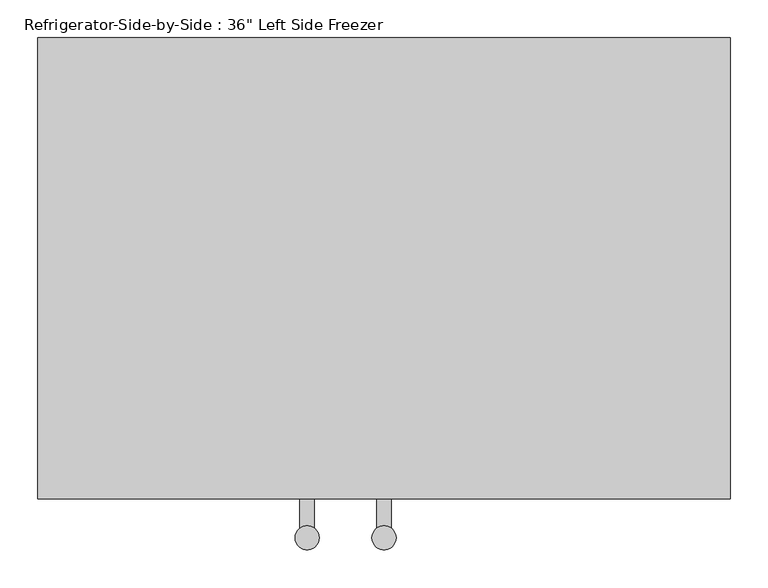
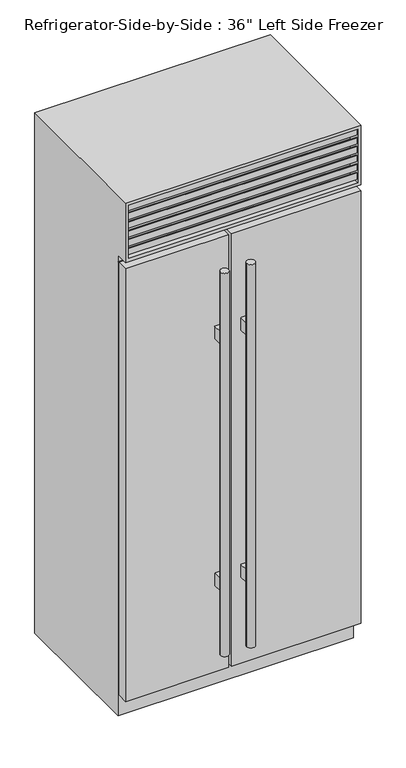
"""IFC4 building model written with IfcOpenShell, lengths in millimetres: proxy geometry."""

from ifc_helpers import new_model, si_unit, frame, origin, place, context, project, spatial, polyline, circle_curve, ellipse_curve, outline, extrude, faceted_brep, source, transform, mapped, element, save
from ifc_brep_helpers import plane_surface, cylinder_surface, advanced_brep


def proxy_192d496c(model_context):
    return source(origin(), model_context, "Body", "SolidModel", [
        extrude(outline(polyline([(-660.4, 1901.825), (-708.025, 1914.5860803), (-708.025, 1939.9860803), (-704.85, 1939.9860803), (-704.85, 1917.1368938), (-660.4, 1905.2265522), (-660.4, 1901.825)])), frame((-444.5, 0.0, 0.0), z_axis=(1.0, 0.0, 0.0), x_axis=(0.0, 1.0, 0.0)), (0.0, 0.0, 1.0), 889.0),
        extrude(outline(polyline([(-660.4, 1938.0077839), (-708.025, 1950.7688642), (-708.025, 1976.1688642), (-704.85, 1976.1688642), (-704.85, 1953.3196777), (-660.4, 1941.4093361), (-660.4, 1938.0077839)])), frame((-444.5, 0.0, 0.0), z_axis=(1.0, 0.0, 0.0), x_axis=(0.0, 1.0, 0.0)), (0.0, 0.0, 1.0), 889.0),
        extrude(outline(polyline([(-660.4, 1974.1905679), (-708.025, 1986.9516482), (-708.025, 2012.3516482), (-704.85, 2012.3516482), (-704.85, 1989.5024616), (-660.4, 1977.59212), (-660.4, 1974.1905679)])), frame((-444.5, 0.0, 0.0), z_axis=(1.0, 0.0, 0.0), x_axis=(0.0, 1.0, 0.0)), (0.0, 0.0, 1.0), 889.0),
        extrude(outline(polyline([(-660.4, 2010.3733518), (-708.025, 2023.1344321), (-708.025, 2048.5344321), (-704.85, 2048.5344321), (-704.85, 2025.6852456), (-660.4, 2013.774904), (-660.4, 2010.3733518)])), frame((-444.5, 0.0, 0.0), z_axis=(1.0, 0.0, 0.0), x_axis=(0.0, 1.0, 0.0)), (0.0, 0.0, 1.0), 889.0),
        extrude(outline(polyline([(-660.4, 2046.5561358), (-708.025, 2059.3172161), (-708.025, 2084.7172161), (-704.85, 2084.7172161), (-704.85, 2061.8680295), (-660.4, 2049.9576879), (-660.4, 2046.5561358)])), frame((-444.5, 0.0, 0.0), z_axis=(1.0, 0.0, 0.0), x_axis=(0.0, 1.0, 0.0)), (0.0, 0.0, 1.0), 889.0),
        extrude(outline(polyline([(-660.4, 2082.7389197), (-708.025, 2095.5), (-708.025, 2120.9), (-704.85, 2120.9), (-704.85, 2098.0508135), (-660.4, 2086.1404719), (-660.4, 2082.7389197)])), frame((-444.5, 0.0, 0.0), z_axis=(1.0, 0.0, 0.0), x_axis=(0.0, 1.0, 0.0)), (0.0, 0.0, 1.0), 889.0),
        faceted_brep([(457.2, -711.2, 2133.6), (-457.2, -711.2, 2133.6), (-457.2, -711.2, 1889.125), (457.2, -711.2, 1889.125), (444.5, -711.2, 2120.9), (444.5, -711.2, 1901.825), (-444.5, -711.2, 1901.825), (-444.5, -711.2, 2120.9), (457.2, -101.6, 2133.6), (-457.2, -101.6, 2133.6), (-457.2, -101.6, 0.0), (-457.2, -660.4, 0.0), (-457.2, -660.4, 1889.125), (457.2, -660.4, 1889.125), (457.2, -660.4, 0.0), (457.2, -101.6, 0.0), (-444.5, -660.4, 2120.9), (444.5, -660.4, 2120.9), (-444.5, -660.4, 1901.825), (444.5, -660.4, 1901.825)], [[[0, 1, 2, 3], [4, 5, 6, 7]], [[1, 0, 8, 9]], [[2, 1, 9, 10, 11, 12]], [[3, 2, 12, 13]], [[8, 0, 3, 13, 14, 15]], [[4, 7, 16, 17]], [[7, 6, 18, 16]], [[6, 5, 19, 18]], [[5, 4, 17, 19]], [[15, 14, 11, 10]], [[9, 8, 15, 10]], [[17, 16, 18, 19]], [[11, 14, 13, 12]]]),
        extrude(outline(polyline([(-457.2, -666.75), (-57.15, -666.75), (-57.15, -711.2), (-457.2, -711.2), (-457.2, -666.75)])), frame((0.0, 0.0, 88.9), z_axis=(0.0, 0.0, 1.0), x_axis=(1.0, 0.0, 0.0)), (0.0, 0.0, 1.0), 1774.825),
        extrude(outline(polyline([(-44.45, -666.75), (457.2, -666.75), (457.2, -711.2), (-44.45, -711.2), (-44.45, -666.75)])), frame((0.0, 0.0, 88.9), z_axis=(0.0, 0.0, 1.0), x_axis=(1.0, 0.0, 0.0)), (0.0, 0.0, 1.0), 1774.825),
        advanced_brep(
        [(-92.075, -711.2, 1508.125), (-92.075, -711.2, 1457.325), (-111.125, -711.2, 1457.325), (-111.125, -711.2, 1508.125), (-92.075, -711.2, 495.3), (-92.075, -711.2, 444.5), (-111.125, -711.2, 444.5), (-111.125, -711.2, 495.3), (-92.075, -749.6741958, 1508.125), (-92.075, -749.6741958, 1457.325), (-111.125, -749.6741958, 1457.325), (-111.125, -749.6741958, 1508.125), (-92.075, -749.6741958, 495.3), (-92.075, -749.6741958, 444.5), (-111.125, -749.6741958, 444.5), (-111.125, -749.6741958, 495.3), (-117.475, -762.3741958, 1762.125), (-85.725, -762.3741958, 1762.125), (-117.475, -762.3741958, 190.5), (-85.725, -762.3741958, 190.5)],
        [
            (0, 1),
            (1, 2),
            (2, 3),
            (3, 0),
            (4, 5),
            (5, 6),
            (6, 7),
            (7, 4),
            (0, 8),
            (8, 9),
            (9, 1),
            (9, 10, circle_curve(frame((-101.6, -762.3741958, 1457.325), z_axis=(0.0, 0.0, 1.0), x_axis=(1.0, 0.0, 0.0)), 15.875)),
            (10, 2),
            (10, 11),
            (11, 3),
            (11, 8, circle_curve(frame((-101.6, -762.3741958, 1508.125), z_axis=(0.0, 0.0, -1.0), x_axis=(1.0, 0.0, 0.0)), 15.875)),
            (4, 12),
            (12, 13),
            (13, 5),
            (13, 14, circle_curve(frame((-101.6, -762.3741958, 444.5), z_axis=(0.0, 0.0, 1.0), x_axis=(1.0, 0.0, 0.0)), 15.875)),
            (14, 6),
            (14, 15),
            (15, 7),
            (15, 12, circle_curve(frame((-101.6, -762.3741958, 495.3), z_axis=(0.0, 0.0, -1.0), x_axis=(1.0, 0.0, 0.0)), 15.875)),
            (16, 17, circle_curve(frame((-101.6, -762.3741958, 1762.125), z_axis=(0.0, 0.0, 1.0), x_axis=(1.0, 0.0, 0.0)), 15.875)),
            (17, 16, circle_curve(frame((-101.6, -762.3741958, 1762.125), z_axis=(0.0, 0.0, 1.0), x_axis=(1.0, 0.0, 0.0)), 15.875)),
            (18, 19, circle_curve(frame((-101.6, -762.3741958, 190.5), z_axis=(0.0, 0.0, -1.0), x_axis=(1.0, 0.0, 0.0)), 15.875)),
            (19, 18, circle_curve(frame((-101.6, -762.3741958, 190.5), z_axis=(0.0, 0.0, -1.0), x_axis=(1.0, 0.0, 0.0)), 15.875)),
            (16, 18),
            (19, 17),
        ],
        [
            plane_surface(frame((-92.075, -711.2, 1508.125), z_axis=(0.0, 1.0, 0.0), x_axis=(0.0, 0.0, -1.0))),
            plane_surface(frame((-92.075, -711.2, 1508.125), z_axis=(1.0, 0.0, 0.0), x_axis=(0.0, -1.0, 0.0))),
            plane_surface(frame((-92.075, -711.2, 1457.325), z_axis=(0.0, 0.0, -1.0), x_axis=(0.0, -1.0, 0.0))),
            plane_surface(frame((-111.125, -711.2, 1457.325), z_axis=(-1.0, 0.0, 0.0), x_axis=(0.0, -1.0, 0.0))),
            plane_surface(frame((-111.125, -711.2, 1508.125), z_axis=(0.0, 0.0, 1.0), x_axis=(0.0, -1.0, 0.0))),
            plane_surface(frame((-92.075, -711.2, 495.3), z_axis=(1.0, 0.0, 0.0), x_axis=(0.0, -1.0, 0.0))),
            plane_surface(frame((-92.075, -711.2, 444.5), z_axis=(0.0, 0.0, -1.0), x_axis=(0.0, -1.0, 0.0))),
            plane_surface(frame((-111.125, -711.2, 444.5), z_axis=(-1.0, 0.0, 0.0), x_axis=(0.0, -1.0, 0.0))),
            plane_surface(frame((-111.125, -711.2, 495.3), z_axis=(0.0, 0.0, 1.0), x_axis=(0.0, -1.0, 0.0))),
            plane_surface(frame((-85.725, -762.3741958, 1762.125), z_axis=(0.0, 0.0, 1.0), x_axis=(0.0, 1.0, 0.0))),
            plane_surface(frame((-85.725, -762.3741958, 190.5), z_axis=(0.0, 0.0, -1.0), x_axis=(0.0, -1.0, 0.0))),
            cylinder_surface(frame((-101.6, -762.3741958, 190.5), z_axis=(0.0, 0.0, 1.0), x_axis=(1.0, 0.0, 0.0)), 15.875),
        ],
        [
            (0, [[1, 2, 3, 4]]),
            (0, [[5, 6, 7, 8]]),
            (1, [[-1, 9, 10, 11]]),
            (2, [[-2, -11, 12, 13]]),
            (3, [[-3, -13, 14, 15]]),
            (4, [[-4, -15, 16, -9]]),
            (5, [[-5, 17, 18, 19]]),
            (6, [[-6, -19, 20, 21]]),
            (7, [[-7, -21, 22, 23]]),
            (8, [[-8, -23, 24, -17]]),
            (9, [[25, 26]]),
            (10, [[27, 28]]),
            (11, [[-25, 29, -28, 30]]),
            (11, [[-26, -30, -27, -29], [-10, -16, -14, -12], [-18, -24, -22, -20]]),
        ],
    ),
        advanced_brep(
        [(-15.875, -762.3741958, 1762.125), (15.875, -762.3741958, 1762.125), (-15.875, -762.3741958, 190.5), (15.875, -762.3741958, 190.5), (9.525, -749.6741958, 1457.325), (9.525, -749.6741958, 1508.125), (-9.525, -749.6741958, 1508.125), (-9.525, -749.6741958, 1457.325), (9.525, -749.6741958, 444.5), (9.525, -749.6741958, 495.3), (-9.525, -749.6741958, 495.3), (-9.525, -749.6741958, 444.5), (9.525, -711.2, 1508.125), (9.525, -711.2, 1457.325), (-9.525, -711.2, 1457.325), (-9.525, -711.2, 1508.125), (9.525, -711.2, 495.3), (9.525, -711.2, 444.5), (-9.525, -711.2, 444.5), (-9.525, -711.2, 495.3)],
        [
            (0, 1, circle_curve(frame((0.0, -762.3741958, 1762.125), z_axis=(0.0, 0.0, 1.0), x_axis=(1.0, 0.0, 0.0)), 15.875)),
            (1, 0, circle_curve(frame((0.0, -762.3741958, 1762.125), z_axis=(0.0, 0.0, 1.0), x_axis=(1.0, 0.0, 0.0)), 15.875)),
            (2, 3, circle_curve(frame((0.0, -762.3741958, 190.5), z_axis=(0.0, 0.0, -1.0), x_axis=(1.0, 0.0, 0.0)), 15.875)),
            (3, 2, circle_curve(frame((0.0, -762.3741958, 190.5), z_axis=(0.0, 0.0, -1.0), x_axis=(1.0, 0.0, 0.0)), 15.875)),
            (0, 2),
            (3, 1),
            (4, 5),
            (5, 6, circle_curve(frame((0.0, -762.3741958, 1508.125), z_axis=(0.0, 0.0, 1.0), x_axis=(1.0, 0.0, 0.0)), 15.875)),
            (6, 7),
            (7, 4, circle_curve(frame((0.0, -762.3741958, 1457.325), z_axis=(0.0, 0.0, -1.0), x_axis=(1.0, 0.0, 0.0)), 15.875)),
            (8, 9),
            (9, 10, circle_curve(frame((0.0, -762.3741958, 495.3), z_axis=(0.0, 0.0, 1.0), x_axis=(1.0, 0.0, 0.0)), 15.875)),
            (10, 11),
            (11, 8, circle_curve(frame((0.0, -762.3741958, 444.5), z_axis=(0.0, 0.0, -1.0), x_axis=(1.0, 0.0, 0.0)), 15.875)),
            (12, 13),
            (13, 14),
            (14, 15),
            (15, 12),
            (16, 17),
            (17, 18),
            (18, 19),
            (19, 16),
            (12, 5),
            (4, 13),
            (7, 14),
            (6, 15),
            (16, 9),
            (8, 17),
            (11, 18),
            (10, 19),
        ],
        [
            plane_surface(frame((15.875, -762.3741958, 1762.125), z_axis=(0.0, 0.0, 1.0), x_axis=(0.0, 1.0, 0.0))),
            plane_surface(frame((15.875, -762.3741958, 190.5), z_axis=(0.0, 0.0, -1.0), x_axis=(0.0, -1.0, 0.0))),
            cylinder_surface(frame((0.0, -762.3741958, 190.5), z_axis=(0.0, 0.0, 1.0), x_axis=(1.0, 0.0, 0.0)), 15.875),
            plane_surface(frame((9.525, -711.2, 1508.125), z_axis=(0.0, 1.0, 0.0), x_axis=(0.0, 0.0, -1.0))),
            plane_surface(frame((9.525, -711.2, 1508.125), z_axis=(1.0, 0.0, 0.0), x_axis=(0.0, -1.0, 0.0))),
            plane_surface(frame((9.525, -711.2, 1457.325), z_axis=(0.0, 0.0, -1.0), x_axis=(0.0, -1.0, 0.0))),
            plane_surface(frame((-9.525, -711.2, 1457.325), z_axis=(-1.0, 0.0, 0.0), x_axis=(0.0, -1.0, 0.0))),
            plane_surface(frame((-9.525, -711.2, 1508.125), z_axis=(0.0, 0.0, 1.0), x_axis=(0.0, -1.0, 0.0))),
            plane_surface(frame((9.525, -711.2, 495.3), z_axis=(1.0, 0.0, 0.0), x_axis=(0.0, -1.0, 0.0))),
            plane_surface(frame((9.525, -711.2, 444.5), z_axis=(0.0, 0.0, -1.0), x_axis=(0.0, -1.0, 0.0))),
            plane_surface(frame((-9.525, -711.2, 444.5), z_axis=(-1.0, 0.0, 0.0), x_axis=(0.0, -1.0, 0.0))),
            plane_surface(frame((-9.525, -711.2, 495.3), z_axis=(0.0, 0.0, 1.0), x_axis=(0.0, -1.0, 0.0))),
        ],
        [
            (0, [[1, 2]]),
            (1, [[3, 4]]),
            (2, [[-1, 5, -4, 6]]),
            (2, [[-2, -6, -3, -5], [7, 8, 9, 10], [11, 12, 13, 14]]),
            (3, [[15, 16, 17, 18]]),
            (3, [[19, 20, 21, 22]]),
            (4, [[-15, 23, -7, 24]]),
            (5, [[-16, -24, -10, 25]]),
            (6, [[-17, -25, -9, 26]]),
            (7, [[-18, -26, -8, -23]]),
            (8, [[-19, 27, -11, 28]]),
            (9, [[-20, -28, -14, 29]]),
            (10, [[-21, -29, -13, 30]]),
            (11, [[-22, -30, -12, -27]]),
        ],
    ),
        advanced_brep(
        [(-450.85, -660.4, 1857.375), (-450.85, -666.75, 1857.375), (-450.85, -666.75, 95.25), (-450.85, -660.4, 95.25), (-63.5, -666.75, 95.25), (-63.5, -660.4, 95.25), (-63.5, -666.75, 1857.375), (-63.5, -660.4, 1857.375), (-454.025, -660.4, 1860.55), (-60.325, -660.4, 1860.55), (-60.325, -660.4, 92.075), (-454.025, -660.4, 92.075), (-454.025, -666.75, 92.075), (-60.325, -666.75, 92.075), (-60.325, -666.75, 1860.55), (-454.025, -666.75, 1860.55)],
        [
            (0, 1),
            (1, 2),
            (2, 3),
            (3, 0),
            (2, 4),
            (4, 5),
            (5, 3),
            (4, 6),
            (6, 7),
            (7, 5),
            (8, 9),
            (9, 10),
            (10, 11),
            (11, 8),
            (7, 0),
            (12, 13),
            (13, 14),
            (14, 15),
            (15, 12),
            (1, 6),
            (15, 8, ellipse_curve(frame((-454.025, -663.575, 1860.55), z_axis=(-0.7071067811865475, 0.0, -0.7071067811865475), x_axis=(-0.7071067811865474, 0.0, 0.7071067811865476)), 4.4901281, 3.175)),
            (11, 12, ellipse_curve(frame((-454.025, -663.575, 92.075), z_axis=(-0.7071067811865475, 0.0, 0.7071067811865475), x_axis=(0.7071067811865474, 0.0, 0.7071067811865476)), 4.4901281, 3.175)),
            (10, 13, ellipse_curve(frame((-60.325, -663.575, 92.075), z_axis=(-0.7071067811865475, 0.0, -0.7071067811865475), x_axis=(-0.7071067811865476, 0.0, 0.7071067811865474)), 4.4901281, 3.175)),
            (9, 14, ellipse_curve(frame((-60.325, -663.575, 1860.55), z_axis=(0.7071067811865475, 0.0, -0.7071067811865475), x_axis=(-0.7071067811865474, 0.0, -0.7071067811865476)), 4.4901281, 3.175)),
        ],
        [
            plane_surface(frame((-450.85, -666.75, 1857.375), z_axis=(1.0, 0.0, 0.0), x_axis=(0.0, 0.0, -1.0))),
            plane_surface(frame((-450.85, -666.75, 95.25), z_axis=(0.0, 0.0, 1.0), x_axis=(1.0, 0.0, 0.0))),
            plane_surface(frame((-63.5, -666.75, 95.25), z_axis=(-1.0, 0.0, 0.0), x_axis=(0.0, 0.0, 1.0))),
            plane_surface(frame((-63.5, -660.4, 1857.375), z_axis=(0.0, 1.0, 0.0), x_axis=(-1.0, 0.0, 0.0))),
            plane_surface(frame((-60.325, -666.75, 1860.55), z_axis=(0.0, -1.0, 0.0), x_axis=(-1.0, 0.0, 0.0))),
            plane_surface(frame((-63.5, -666.75, 1857.375), z_axis=(0.0, 0.0, -1.0), x_axis=(-1.0, 0.0, 0.0))),
            cylinder_surface(frame((-454.025, -663.575, 1863.725), z_axis=(0.0, 0.0, 1.0), x_axis=(0.0, -1.0, 0.0)), 3.175),
            cylinder_surface(frame((-457.2, -663.575, 92.075), z_axis=(-1.0, 0.0, 0.0), x_axis=(0.0, -1.0, 0.0)), 3.175),
            cylinder_surface(frame((-60.325, -663.575, 88.9), z_axis=(0.0, 0.0, -1.0), x_axis=(0.0, -1.0, 0.0)), 3.175),
            cylinder_surface(frame((-57.15, -663.575, 1860.55), z_axis=(1.0, 0.0, 0.0), x_axis=(0.0, -1.0, 0.0)), 3.175),
        ],
        [
            (0, [[1, 2, 3, 4]]),
            (1, [[-3, 5, 6, 7]]),
            (2, [[-6, 8, 9, 10]]),
            (3, [[11, 12, 13, 14], [-7, -10, 15, -4]]),
            (4, [[16, 17, 18, 19], [20, -8, -5, -2]]),
            (5, [[-9, -20, -1, -15]]),
            (6, [[21, -14, 22, -19]]),
            (7, [[-22, -13, 23, -16]]),
            (8, [[-23, -12, 24, -17]]),
            (9, [[-24, -11, -21, -18]]),
        ],
    ),
        advanced_brep(
        [(-38.1, -660.4, 1857.375), (-38.1, -666.75, 1857.375), (-38.1, -666.75, 95.25), (-38.1, -660.4, 95.25), (450.85, -666.75, 95.25), (450.85, -660.4, 95.25), (450.85, -666.75, 1857.375), (450.85, -660.4, 1857.375), (-41.275, -660.4, 1860.55), (454.025, -660.4, 1860.55), (454.025, -660.4, 92.075), (-41.275, -660.4, 92.075), (-41.275, -666.75, 92.075), (454.025, -666.75, 92.075), (454.025, -666.75, 1860.55), (-41.275, -666.75, 1860.55)],
        [
            (0, 1),
            (1, 2),
            (2, 3),
            (3, 0),
            (2, 4),
            (4, 5),
            (5, 3),
            (4, 6),
            (6, 7),
            (7, 5),
            (8, 9),
            (9, 10),
            (10, 11),
            (11, 8),
            (7, 0),
            (12, 13),
            (13, 14),
            (14, 15),
            (15, 12),
            (1, 6),
            (15, 8, ellipse_curve(frame((-41.275, -663.575, 1860.55), z_axis=(-0.7071067811865415, 0.0, -0.7071067811865537), x_axis=(-0.7071067811865536, 0.0, 0.7071067811865414)), 4.4901281, 3.175)),
            (11, 12, ellipse_curve(frame((-41.275, -663.575, 92.075), z_axis=(-0.7071067811865597, 0.0, 0.7071067811865352), x_axis=(0.7071067811865352, 0.0, 0.7071067811865598)), 4.4901281, 3.175)),
            (10, 13, ellipse_curve(frame((454.025, -663.575, 92.075), z_axis=(-0.7071067811865352, 0.0, -0.7071067811865597), x_axis=(-0.7071067811865598, 0.0, 0.7071067811865351)), 4.4901281, 3.175)),
            (9, 14, ellipse_curve(frame((454.025, -663.575, 1860.55), z_axis=(0.7071067811865536, 0.0, -0.7071067811865414), x_axis=(-0.7071067811865412, 0.0, -0.7071067811865538)), 4.4901281, 3.175)),
        ],
        [
            plane_surface(frame((-38.1, -666.75, 1857.375), z_axis=(1.0, 0.0, 0.0), x_axis=(0.0, 0.0, -1.0))),
            plane_surface(frame((-38.1, -666.75, 95.25), z_axis=(0.0, 0.0, 1.0), x_axis=(1.0, 0.0, 0.0))),
            plane_surface(frame((450.85, -666.75, 95.25), z_axis=(-1.0, 0.0, 0.0), x_axis=(0.0, 0.0, 1.0))),
            plane_surface(frame((450.85, -660.4, 1857.375), z_axis=(0.0, 1.0, 0.0), x_axis=(-1.0, 0.0, 0.0))),
            plane_surface(frame((454.025, -666.75, 1860.55), z_axis=(0.0, -1.0, 0.0), x_axis=(-1.0, 0.0, 0.0))),
            plane_surface(frame((450.85, -666.75, 1857.375), z_axis=(0.0, 0.0, -1.0), x_axis=(-1.0, 0.0, 0.0))),
            cylinder_surface(frame((-41.275, -663.575, 1863.725), z_axis=(0.0, 0.0, 1.0), x_axis=(0.0, -1.0, 0.0)), 3.175),
            cylinder_surface(frame((-44.45, -663.575, 92.075), z_axis=(-1.0, 0.0, 0.0), x_axis=(0.0, -1.0, 0.0)), 3.175),
            cylinder_surface(frame((454.025, -663.575, 88.9), z_axis=(0.0, 0.0, -1.0), x_axis=(0.0, -1.0, 0.0)), 3.175),
            cylinder_surface(frame((457.2, -663.575, 1860.55), z_axis=(1.0, 0.0, 0.0), x_axis=(0.0, -1.0, 0.0)), 3.175),
        ],
        [
            (0, [[1, 2, 3, 4]]),
            (1, [[-3, 5, 6, 7]]),
            (2, [[-6, 8, 9, 10]]),
            (3, [[11, 12, 13, 14], [-7, -10, 15, -4]]),
            (4, [[16, 17, 18, 19], [20, -8, -5, -2]]),
            (5, [[-9, -20, -1, -15]]),
            (6, [[21, -14, 22, -19]]),
            (7, [[-22, -13, 23, -16]]),
            (8, [[-23, -12, 24, -17]]),
            (9, [[-24, -11, -21, -18]]),
        ],
    ),
    ])


if __name__ == "__main__":
    model = new_model("IFC4")
    model_context = context("Model", 3, world=origin())
    ifc_project = project(units=[si_unit("LENGTHUNIT", "METRE", prefix="MILLI")], contexts=[model_context])
    site = spatial("IfcSite", under=ifc_project)
    building = spatial("IfcBuilding", under=site)
    placement = place(None, origin())
    proxy_shape = proxy_192d496c(model_context)
    element("IfcBuildingElementProxy", 1, Name="Refrigerator-Side-by-Side : 36\" Left Side Freezer", ObjectType="Refrigerator-Side-by-Side : 36\" Left Side Freezer", at=placement, inside=building, context=model_context, shape_type="MappedRepresentation", body=[
        mapped(proxy_shape, transform((0.0, 0.0, 0.0), x_axis=(1.0, 0.0, 0.0), y_axis=(0.0, 1.0, 0.0), z_axis=(0.0, 0.0, 1.0))),
    ])
    save(model, "model.ifc")
